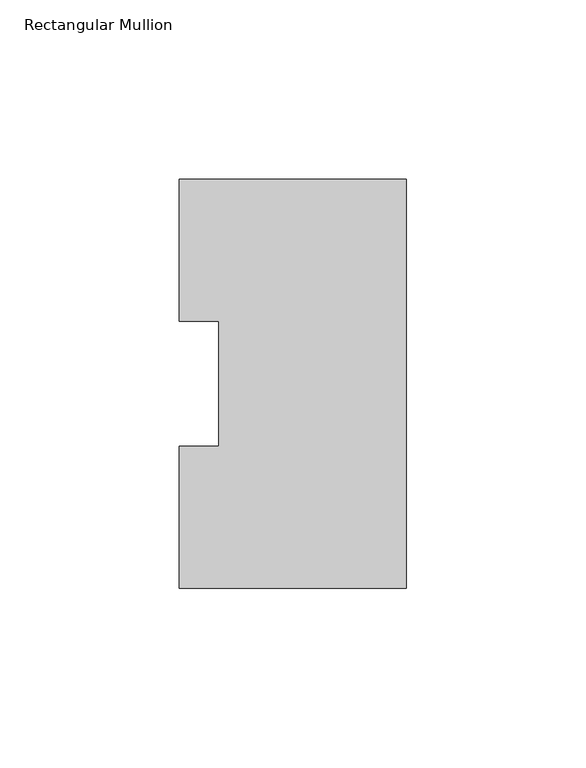
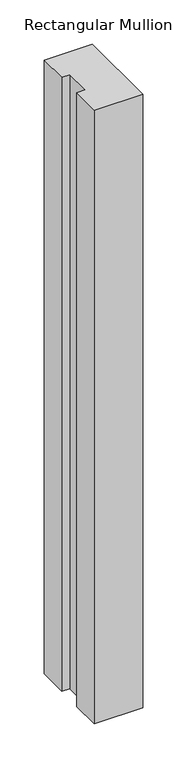
"""IFC4 building model written with IfcOpenShell, lengths in millimetres: member geometry, Rectangular Mullion."""

from ifc_helpers import new_model, si_unit, frame, origin, place, context, project, spatial, polyline, outline, extrude, source, transform, mapped, element, save


def rectangular_mullion_9221ba79(model_context):
    return source(origin(), model_context, "Body", "SweptSolid", [
        extrude(outline(polyline([(0.0, 114.271425), (0.0, -0.028575), (-63.5, -0.028575), (-63.5, 39.646225), (-52.3875, 39.646225), (-52.3875, 74.596625), (-63.5, 74.596625), (-63.5, 114.271425), (0.0, 114.271425)])), frame((0.0, 0.0, -850.9), z_axis=(0.0, 0.0, 1.0), x_axis=(1.0, 0.0, 0.0)), (0.0, 0.0, 1.0), 850.9),
    ])


if __name__ == "__main__":
    model = new_model("IFC4")
    model_context = context("Model", 3, world=origin())
    ifc_project = project(units=[si_unit("LENGTHUNIT", "METRE", prefix="MILLI")], contexts=[model_context])
    site = spatial("IfcSite", under=ifc_project)
    building = spatial("IfcBuilding", under=site)
    placement = place(None, origin())
    rectangular_mullion_shape = rectangular_mullion_9221ba79(model_context)
    element("IfcMember", 1, ObjectType="Rectangular Mullion", at=placement, inside=building, context=model_context, shape_type="MappedRepresentation", body=[
        mapped(rectangular_mullion_shape, transform((0.0, 0.0, 0.0), x_axis=(1.0, 0.0, 0.0), y_axis=(0.0, 1.0, 0.0), z_axis=(0.0, 0.0, 1.0))),
    ])
    save(model, "model.ifc")
